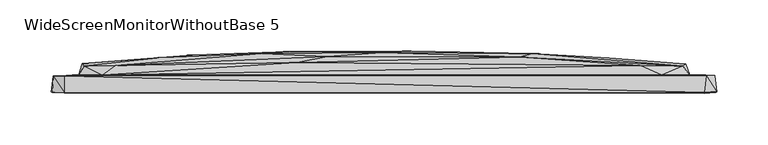
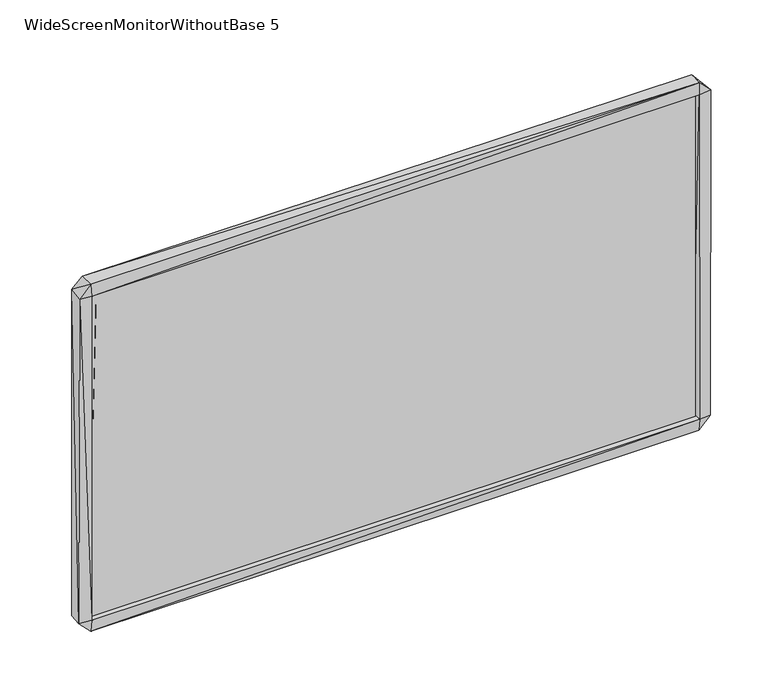
"""IFC4 building model written with IfcOpenShell, lengths in millimetres: furniture geometry, WideScreenMonitorWithoutBase 5."""

from ifc_helpers import new_model, si_unit, origin, place, context, project, spatial, triangles, source, transform, mapped, element, save


def widescreenmonitorwithoutbase_5_d8b1adad(model_context):
    return source(origin(), model_context, "Body", "Tessellation", [
        triangles([(309.568786, 1.4711283, 15.0042361), (309.568786, 1.4711283, 362.8313416), (309.568786, -0.1288716, 15.0042361), (309.568786, -0.1288716, 362.8313416), (-309.774769, -0.128906, 362.8313416), (-309.774769, 1.4710938, 362.8313416), (-309.774769, 1.4710938, 15.0042361), (-309.774769, -0.128906, 15.0042361)], [[1, 2, 3], [3, 2, 4], [5, 4, 2], [5, 2, 6], [7, 1, 3], [7, 3, 8], [7, 6, 1], [7, 8, 5], [7, 5, 6], [8, 3, 4], [8, 4, 5], [1, 6, 2]]),
        triangles([(144.6974542, 35.0200054, 209.4644129), (290.9615097, 22.8200165, 336.8477895), (294.2615081, 24.6200179, 265.2561019), (-216.6306906, 30.9199899, 253.1560956), (-292.3127172, 22.9199832, 332.8519578), (-262.0717033, 23.2199853, 352.2477579), (-119.2486532, 34.9199911, 252.9560896), (-55.2666348, 31.9199925, 312.3519373), (-1.9256101, 36.0199989, 260.7561041), (131.6974573, 31.6200063, 300.1519371), (297.8614882, 14.3200175, 334.8519447), (-274.4716913, 14.3199858, 355.6477684), (-297.3127027, 14.3199846, 336.0477656), (-85.2076261, 26.1199945, 352.5477759), (249.8204707, 23.5200124, 352.447782), (270.9204909, 14.3200164, 355.4477806), (322.2615068, 13.5200187, 365.8477635), (-323.5127023, -3.0800179, 365.5477818), (-311.9127199, -2.7800172, 377.64777), (-322.3127028, 13.2199836, 365.8477635), (-311.512708, -3.3800172, 364.8477882), (-311.9127199, 13.1199818, 376.2477465), (311.9615178, -2.7799822, 377.64777), (313.8614745, 13.420018, 375.6477831), (-309.212703, 3.8199825, 362.5477833), (309.2615009, 3.8200169, 362.5477833), (311.5615059, -3.4799827, 364.9477821), (324.2614938, -2.579982, 365.447788), (-324.3127261, -2.4800176, 13.1810371), (-322.1127151, 13.5199823, 11.2810372), (-312.5127196, -3.1800174, 1.481037), (-311.6127382, -3.5800169, 13.4810369), (-297.5127086, 14.3199846, 42.2810357), (-281.9127161, 14.2199839, 25.181037), (-310.5127327, 13.2199836, 2.281037), (311.7614937, -2.5799825, 0.581037), (311.9615178, -4.0799827, 13.1810371), (-309.212703, 3.8199825, 16.0810372), (309.2615009, 3.720017, 16.0810372), (310.1615187, 13.5200187, 2.381037), (274.2204712, 14.3200164, 23.2810349), (-293.8127164, 23.0199816, 47.5768834), (-270.3717054, 22.9199854, 27.281036), (-161.3896766, 31.5199897, 85.9727229), (-24.9666356, 33.5199993, 83.5768844), (154.8384594, 25.1200079, 25.8810374), (144.0974635, 31.3200064, 78.176887), (291.1615156, 23.0200157, 46.276881), (297.8614882, 14.3200175, 43.3768808), (322.5614885, 13.3200184, 14.6810363), (323.4615063, -3.0799821, 12.8810372), (-293.9127103, 25.419985, 196.7644069), (-186.3896768, 33.519988, 169.6644077), (-91.8076229, 36.8199955, 168.4644264), (26.615413, 37.4199974, 162.0685777), (219.5794569, 30.9200127, 135.7685751)], [[1, 2, 3], [4, 5, 6], [4, 6, 7], [7, 8, 9], [7, 6, 8], [9, 8, 10], [3, 2, 11], [5, 12, 6], [5, 13, 12], [8, 6, 14], [8, 14, 10], [10, 14, 15], [10, 15, 2], [11, 16, 17], [11, 2, 16], [18, 19, 20], [18, 21, 19], [20, 22, 13], [20, 19, 22], [19, 21, 23], [19, 23, 22], [22, 12, 13], [22, 24, 12], [22, 23, 24], [21, 25, 26], [21, 26, 27], [21, 27, 23], [12, 14, 6], [12, 15, 14], [12, 16, 15], [12, 24, 16], [15, 16, 2], [16, 24, 17], [27, 28, 23], [23, 28, 24], [24, 28, 17], [29, 18, 20], [29, 20, 30], [29, 30, 31], [29, 31, 32], [29, 32, 18], [30, 33, 34], [30, 34, 35], [30, 20, 33], [30, 35, 31], [31, 35, 36], [31, 36, 37], [31, 37, 32], [32, 38, 21], [32, 39, 38], [32, 37, 39], [32, 21, 18], [35, 40, 36], [35, 34, 41], [35, 41, 40], [38, 25, 21], [38, 39, 26], [38, 26, 25], [33, 20, 13], [33, 42, 34], [33, 13, 42], [34, 43, 41], [34, 42, 43], [43, 42, 44], [43, 45, 46], [43, 44, 45], [43, 46, 41], [46, 45, 47], [46, 47, 48], [46, 48, 41], [41, 48, 49], [41, 50, 40], [41, 49, 50], [39, 37, 27], [39, 27, 26], [40, 51, 36], [40, 50, 51], [36, 51, 37], [37, 51, 27], [50, 49, 17], [50, 28, 51], [50, 17, 28], [51, 28, 27], [42, 52, 53], [42, 53, 44], [42, 13, 52], [45, 44, 54], [45, 55, 47], [45, 54, 55], [47, 55, 56], [47, 56, 48], [48, 3, 49], [48, 56, 3], [49, 11, 17], [49, 3, 11], [44, 53, 54], [55, 54, 9], [55, 1, 56], [55, 9, 1], [56, 1, 3], [52, 4, 53], [52, 5, 4], [52, 13, 5], [53, 4, 7], [53, 7, 54], [54, 7, 9], [1, 9, 10], [1, 10, 2]]),
    ])


if __name__ == "__main__":
    model = new_model("IFC4")
    model_context = context("Model", 3, world=origin())
    ifc_project = project(units=[si_unit("LENGTHUNIT", "METRE", prefix="MILLI")], contexts=[model_context])
    site = spatial("IfcSite", under=ifc_project)
    building = spatial("IfcBuilding", under=site)
    placement = place(None, origin())
    widescreenmonitorwithoutbase_5_shape = widescreenmonitorwithoutbase_5_d8b1adad(model_context)
    element("IfcFurniture", 1, ObjectType="WideScreenMonitorWithoutBase 5", at=placement, inside=building, context=model_context, shape_type="MappedRepresentation", body=[
        mapped(widescreenmonitorwithoutbase_5_shape, transform((0.0, 0.0, 0.0), x_axis=(1.0, 0.0, 0.0), y_axis=(0.0, 1.0, 0.0), z_axis=(0.0, 0.0, 1.0))),
    ])
    save(model, "model.ifc")
